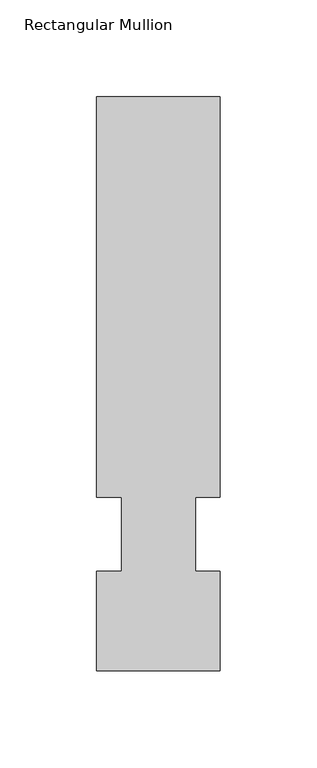
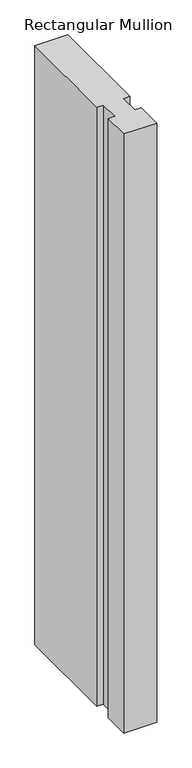
"""IFC4 building model written with IfcOpenShell, lengths in millimetres: member geometry, Rectangular Mullion."""

import ifcopenshell
import ifcopenshell.guid

model = None  # the IFC model being written
_history = None  # IfcOwnerHistory: only IFC2X3 demands one
_inside = {}  # id of a spatial element -> (the spatial element, [elements in it])
_under = {}  # id of a project, library or spatial element -> (it, [spatial elements below it])
_declared = {}  # id of a project -> (the project, [libraries it declares])
_typed = {}  # id of a type object -> (the type object, [elements of that type])
_made_of = {}  # id of a material, layer set ... -> (it, [elements and type objects made of it])


def new_model(schema):
    """Start an empty IFC model of exactly this schema.

    Asked for "IFC4X3", IfcOpenShell would pick the latest addendum, in which some entities
    have other attributes; the version numbers below select the first issue.
    IFC2X3 requires an IfcOwnerHistory on every rooted entity: one is made here for all.
    """
    global model, _history
    if schema == "IFC4X3":
        model = ifcopenshell.file(schema_version=(4, 3, 0, 0))
    else:
        model = ifcopenshell.file(schema=schema)
    _inside.clear()
    _under.clear()
    _declared.clear()
    _typed.clear()
    _made_of.clear()
    _history = None
    if model.schema == "IFC2X3":
        org = make("IfcOrganization", Name="unknown")
        user = make(
            "IfcPersonAndOrganization",
            ThePerson=make("IfcPerson", FamilyName="unknown"),
            TheOrganization=org,
        )
        app = make(
            "IfcApplication",
            ApplicationDeveloper=org,
            Version="unknown",
            ApplicationFullName="unknown",
            ApplicationIdentifier="unknown",
        )
        _history = make(
            "IfcOwnerHistory",
            OwningUser=user,
            OwningApplication=app,
            ChangeAction="ADDED",
            CreationDate=0,
        )
    return model


def make(cls, **values):
    """One entity of the class cls with the attributes given. An attribute that is None is left unset."""
    return model.create_entity(
        cls, **{name: value for name, value in values.items() if value is not None}
    )


def rooted(cls, **values):
    """An entity with a GlobalId (a new one), such as an element, a storey or a relation."""
    return make(cls, GlobalId=ifcopenshell.guid.new(), OwnerHistory=_history, **values)


def si_unit(unit_type, name, prefix=None):
    """IfcSIUnit, for example si_unit("LENGTHUNIT", "METRE", prefix="MILLI")."""
    return make("IfcSIUnit", UnitType=unit_type, Prefix=prefix, Name=name)


def assignment(units):
    """IfcUnitAssignment: the units of a project."""
    return None if units is None else make("IfcUnitAssignment", Units=units)


def point(xyz):
    """IfcCartesianPoint."""
    return None if xyz is None else make("IfcCartesianPoint", Coordinates=xyz)


def direction(xyz):
    """IfcDirection."""
    return None if xyz is None else make("IfcDirection", DirectionRatios=xyz)


def frame(location, z_axis=None, x_axis=None):
    """IfcAxis2Placement3D, a coordinate frame: its origin and axes. An axis left out is left unset."""
    return make(
        "IfcAxis2Placement3D",
        Location=point(location),
        Axis=direction(z_axis),
        RefDirection=direction(x_axis),
    )


def origin():
    """The frame at (0, 0, 0) with its axes left unset."""
    return frame((0.0, 0.0, 0.0))


def place(relative_to, where):
    """IfcLocalPlacement: puts the frame where relative to a parent placement (None: the world)."""
    return make(
        "IfcLocalPlacement", PlacementRelTo=relative_to, RelativePlacement=where
    )


def context(
    kind, dimensions, precision=None, world=None, true_north=None, identifier=None
):
    """IfcGeometricRepresentationContext, for example the 3D "Model" context."""
    return make(
        "IfcGeometricRepresentationContext",
        ContextIdentifier=identifier,
        ContextType=kind,
        CoordinateSpaceDimension=dimensions,
        Precision=precision,
        WorldCoordinateSystem=world,
        TrueNorth=true_north,
    )


def project(units=None, contexts=None):
    """IfcProject with its units and contexts."""
    return rooted(
        "IfcProject",
        Name="project",
        RepresentationContexts=contexts,
        UnitsInContext=assignment(units),
    )


def spatial(cls, under=None, at=None, **own):
    """A site, building, storey or space (cls), placed at a placement, below another one or the project."""
    s = rooted(cls, ObjectPlacement=at, **own)
    if under is not None:
        _under.setdefault(under.id(), (under, []))[1].append(s)
    return s


def polyline(points):
    """IfcPolyline through the points."""
    return make("IfcPolyline", Points=[point(p) for p in points])


def outline(outer, holes=None, kind="AREA"):
    """IfcArbitraryClosedProfileDef: a profile drawn as a closed curve; with holes, ...WithVoids."""
    if holes is None:
        return make("IfcArbitraryClosedProfileDef", ProfileType=kind, OuterCurve=outer)
    return make(
        "IfcArbitraryProfileDefWithVoids",
        ProfileType=kind,
        OuterCurve=outer,
        InnerCurves=holes,
    )


def extrude(swept, where, along, depth):
    """IfcExtrudedAreaSolid: the profile swept, set in the frame where, extruded along a direction by depth."""
    return make(
        "IfcExtrudedAreaSolid",
        SweptArea=swept,
        Position=where,
        ExtrudedDirection=direction(along),
        Depth=depth,
    )


def shape(context_of_items, identifier, shape_type, items):
    """IfcShapeRepresentation: the items that make up one representation, for example the "Body"."""
    return make(
        "IfcShapeRepresentation",
        ContextOfItems=context_of_items,
        RepresentationIdentifier=identifier,
        RepresentationType=shape_type,
        Items=items,
    )


def source(mapping_origin, context_of_items, identifier, shape_type, items):
    """IfcRepresentationMap: a shape defined once, which mapped items show again and again."""
    return make(
        "IfcRepresentationMap",
        MappingOrigin=mapping_origin,
        MappedRepresentation=shape(context_of_items, identifier, shape_type, items),
    )


def transform(
    local_origin,
    x_axis=None,
    y_axis=None,
    z_axis=None,
    scale=None,
    scale2=None,
    scale3=None,
    uniform=True,
):
    """IfcCartesianTransformationOperator3D, or its non-uniform kind. x_axis, y_axis, z_axis: its Axis1, 2, 3."""
    if uniform:
        return make(
            "IfcCartesianTransformationOperator3D",
            Axis1=direction(x_axis),
            Axis2=direction(y_axis),
            LocalOrigin=point(local_origin),
            Scale=scale,
            Axis3=direction(z_axis),
        )
    return make(
        "IfcCartesianTransformationOperator3DnonUniform",
        Axis1=direction(x_axis),
        Axis2=direction(y_axis),
        LocalOrigin=point(local_origin),
        Scale=scale,
        Axis3=direction(z_axis),
        Scale2=scale2,
        Scale3=scale3,
    )


def mapped(mapping_source, mapping_target):
    """IfcMappedItem: shows the shape of a source again, moved by a transform."""
    return make(
        "IfcMappedItem", MappingSource=mapping_source, MappingTarget=mapping_target
    )


def made_of(thing, what):
    """Note that an element or type object is made of a material, layer set ...; save() writes the relation."""
    if what is not None:
        _made_of.setdefault(what.id(), (what, []))[1].append(thing)
    return thing


def element(
    cls,
    number,
    at=None,
    inside=None,
    cuts=None,
    type_object=None,
    material=None,
    context=None,
    identifier="Body",
    shape_type=None,
    held_by="IfcProductDefinitionShape",
    body=None,
    shapes=None,
    **own,
):
    """One element of the class cls, such as IfcWall. Its Tag is "e" and its number.

    at: its placement. inside: the storey or other place that contains it. cuts: it is an
    opening in that element (IfcRelVoidsElement). A single representation is given by context,
    identifier, shape_type and body (its items); several are given by shapes. held_by: the class
    of the entity that holds the representations. save() writes the other relations.
    """
    e = rooted(cls, Tag="e%d" % number, ObjectPlacement=at, **own)
    if body is not None:
        shapes = [shape(context, identifier, shape_type, body)]
    if shapes is not None:
        e.Representation = make(held_by, Representations=shapes)
    if inside is not None:
        _inside.setdefault(inside.id(), (inside, []))[1].append(e)
    if cuts is not None:
        rooted(
            "IfcRelVoidsElement", RelatingBuildingElement=cuts, RelatedOpeningElement=e
        )
    if type_object is not None:
        _typed.setdefault(type_object.id(), (type_object, []))[1].append(e)
    return made_of(e, material)


def aggregate(whole, parts):
    """IfcRelAggregates: a whole, such as a stair, and the parts it consists of."""
    return rooted("IfcRelAggregates", RelatingObject=whole, RelatedObjects=parts)


def save(model, path):
    """Write the relations noted so far, then the file.

    IfcRelAggregates (storeys below a building ...), IfcRelContainedInSpatialStructure (elements
    in a storey), IfcRelDefinesByType, IfcRelAssociatesMaterial and IfcRelDeclares: one each for
    every whole, place, type object, material and project.
    """
    for whole, parts in _under.values():
        aggregate(whole, parts)
    for where, things in _inside.values():
        rooted(
            "IfcRelContainedInSpatialStructure",
            RelatedElements=things,
            RelatingStructure=where,
        )
    for kind, things in _typed.values():
        rooted("IfcRelDefinesByType", RelatedObjects=things, RelatingType=kind)
    for what, things in _made_of.values():
        rooted("IfcRelAssociatesMaterial", RelatedObjects=things, RelatingMaterial=what)
    for by, libraries in _declared.values():
        rooted("IfcRelDeclares", RelatingContext=by, RelatedDefinitions=libraries)
    model.write(path)


def rectangular_mullion_382001b4(model_context):
    return source(origin(), model_context, "Body", "SweptSolid", [
        extrude(outline(polyline([(31.75, 295.9695312), (31.75, 89.5945313), (19.05, 89.5945313), (19.05, 51.4945313), (31.75, 51.4945313), (31.75, 0.2119313), (-31.75, 0.2119313), (-31.75, 51.4945313), (-19.05, 51.4945313), (-19.05, 89.5945313), (-31.75, 89.5945313), (-31.75, 295.9695313), (31.75, 295.9695312)])), frame((0.0, 0.0, -1219.2), z_axis=(0.0, 0.0, 1.0), x_axis=(1.0, 0.0, 0.0)), (0.0, 0.0, 1.0), 1219.2),
    ])


if __name__ == "__main__":
    model = new_model("IFC4")
    model_context = context("Model", 3, world=origin())
    ifc_project = project(units=[si_unit("LENGTHUNIT", "METRE", prefix="MILLI")], contexts=[model_context])
    site = spatial("IfcSite", under=ifc_project)
    building = spatial("IfcBuilding", under=site)
    placement = place(None, origin())
    rectangular_mullion_shape = rectangular_mullion_382001b4(model_context)
    element("IfcMember", 1, ObjectType="Rectangular Mullion", at=placement, inside=building, context=model_context, shape_type="MappedRepresentation", body=[
        mapped(rectangular_mullion_shape, transform((0.0, 0.0, 0.0), x_axis=(1.0, 0.0, 0.0), y_axis=(0.0, 1.0, 0.0), z_axis=(0.0, 0.0, 1.0))),
    ])
    save(model, "model.ifc")
